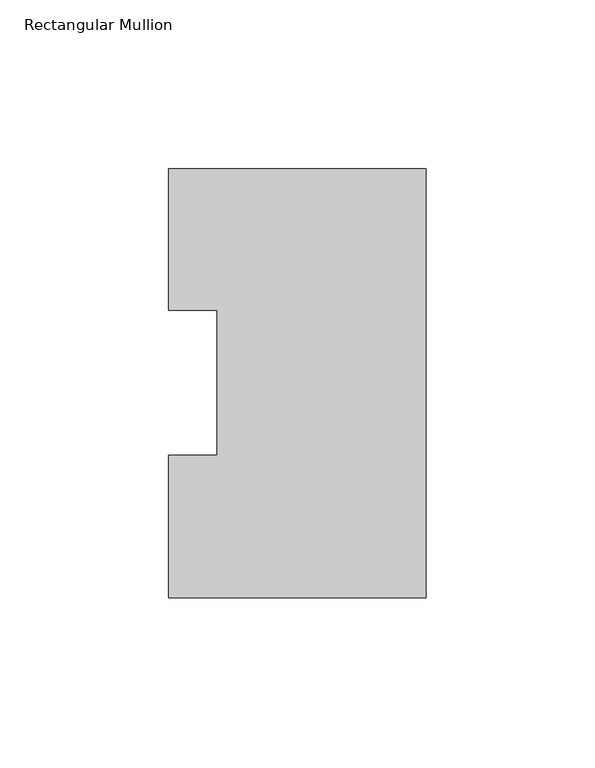
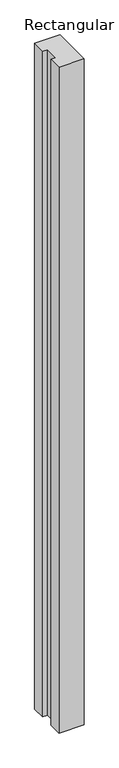
"""IFC4 building model written with IfcOpenShell, lengths in millimetres: member geometry, Rectangular Mullion."""

from ifc_helpers import new_model, si_unit, frame, origin, place, context, project, spatial, polyline, outline, extrude, source, transform, mapped, element, save


def rectangular_mullion_ded8baf9(model_context):
    return source(origin(), model_context, "Body", "SweptSolid", [
        extrude(outline(polyline([(0.0, 126.9888875), (0.0, -0.0111125), (-76.2, -0.0111125), (-76.2, 42.2798875), (-61.9125, 42.2798875), (-61.9125, 85.1296875), (-76.2, 85.1296875), (-76.2, 126.9888875), (0.0, 126.9888875)])), frame((0.0, 0.0, -2133.6), z_axis=(0.0, 0.0, 1.0), x_axis=(1.0, 0.0, 0.0)), (0.0, 0.0, 1.0), 2133.6),
    ])


if __name__ == "__main__":
    model = new_model("IFC4")
    model_context = context("Model", 3, world=origin())
    ifc_project = project(units=[si_unit("LENGTHUNIT", "METRE", prefix="MILLI")], contexts=[model_context])
    site = spatial("IfcSite", under=ifc_project)
    building = spatial("IfcBuilding", under=site)
    placement = place(None, origin())
    rectangular_mullion_shape = rectangular_mullion_ded8baf9(model_context)
    element("IfcMember", 1, ObjectType="Rectangular Mullion", at=placement, inside=building, context=model_context, shape_type="MappedRepresentation", body=[
        mapped(rectangular_mullion_shape, transform((0.0, 0.0, 0.0), x_axis=(1.0, 0.0, 0.0), y_axis=(0.0, 1.0, 0.0), z_axis=(0.0, 0.0, 1.0))),
    ])
    save(model, "model.ifc")
